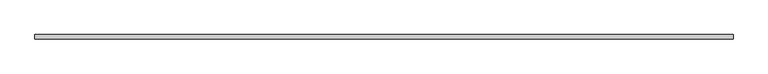
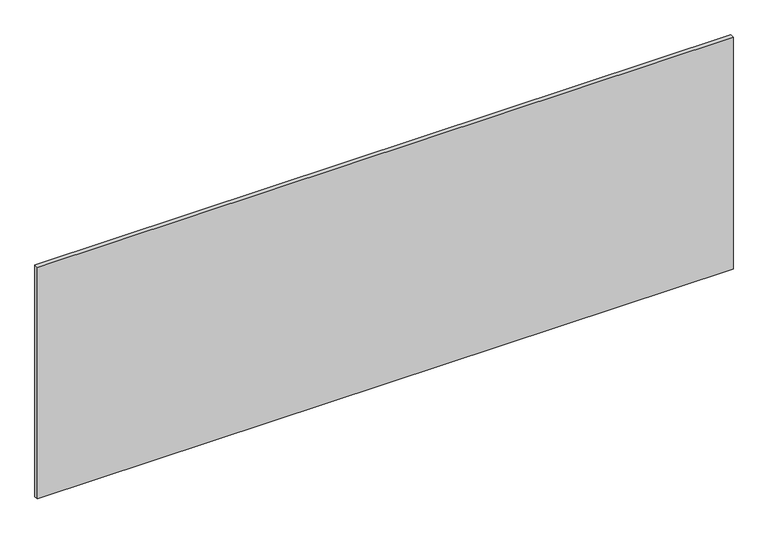
"""IFC4 building model written with IfcOpenShell, lengths in millimetres: plate geometry."""

import ifcopenshell
import ifcopenshell.guid

model = None  # the IFC model being written
_history = None  # IfcOwnerHistory: only IFC2X3 demands one
_inside = {}  # id of a spatial element -> (the spatial element, [elements in it])
_under = {}  # id of a project, library or spatial element -> (it, [spatial elements below it])
_declared = {}  # id of a project -> (the project, [libraries it declares])
_typed = {}  # id of a type object -> (the type object, [elements of that type])
_made_of = {}  # id of a material, layer set ... -> (it, [elements and type objects made of it])


def new_model(schema):
    """Start an empty IFC model of exactly this schema.

    Asked for "IFC4X3", IfcOpenShell would pick the latest addendum, in which some entities
    have other attributes; the version numbers below select the first issue.
    IFC2X3 requires an IfcOwnerHistory on every rooted entity: one is made here for all.
    """
    global model, _history
    if schema == "IFC4X3":
        model = ifcopenshell.file(schema_version=(4, 3, 0, 0))
    else:
        model = ifcopenshell.file(schema=schema)
    _inside.clear()
    _under.clear()
    _declared.clear()
    _typed.clear()
    _made_of.clear()
    _history = None
    if model.schema == "IFC2X3":
        org = make("IfcOrganization", Name="unknown")
        user = make(
            "IfcPersonAndOrganization",
            ThePerson=make("IfcPerson", FamilyName="unknown"),
            TheOrganization=org,
        )
        app = make(
            "IfcApplication",
            ApplicationDeveloper=org,
            Version="unknown",
            ApplicationFullName="unknown",
            ApplicationIdentifier="unknown",
        )
        _history = make(
            "IfcOwnerHistory",
            OwningUser=user,
            OwningApplication=app,
            ChangeAction="ADDED",
            CreationDate=0,
        )
    return model


def make(cls, **values):
    """One entity of the class cls with the attributes given. An attribute that is None is left unset."""
    return model.create_entity(
        cls, **{name: value for name, value in values.items() if value is not None}
    )


def rooted(cls, **values):
    """An entity with a GlobalId (a new one), such as an element, a storey or a relation."""
    return make(cls, GlobalId=ifcopenshell.guid.new(), OwnerHistory=_history, **values)


def si_unit(unit_type, name, prefix=None):
    """IfcSIUnit, for example si_unit("LENGTHUNIT", "METRE", prefix="MILLI")."""
    return make("IfcSIUnit", UnitType=unit_type, Prefix=prefix, Name=name)


def assignment(units):
    """IfcUnitAssignment: the units of a project."""
    return None if units is None else make("IfcUnitAssignment", Units=units)


def point(xyz):
    """IfcCartesianPoint."""
    return None if xyz is None else make("IfcCartesianPoint", Coordinates=xyz)


def direction(xyz):
    """IfcDirection."""
    return None if xyz is None else make("IfcDirection", DirectionRatios=xyz)


def frame(location, z_axis=None, x_axis=None):
    """IfcAxis2Placement3D, a coordinate frame: its origin and axes. An axis left out is left unset."""
    return make(
        "IfcAxis2Placement3D",
        Location=point(location),
        Axis=direction(z_axis),
        RefDirection=direction(x_axis),
    )


def origin():
    """The frame at (0, 0, 0) with its axes left unset."""
    return frame((0.0, 0.0, 0.0))


def origin_with_axes():
    """The frame at (0, 0, 0) with the z axis (0, 0, 1) and the x axis (1, 0, 0) written out."""
    return frame((0.0, 0.0, 0.0), z_axis=(0.0, 0.0, 1.0), x_axis=(1.0, 0.0, 0.0))


def place(relative_to, where):
    """IfcLocalPlacement: puts the frame where relative to a parent placement (None: the world)."""
    return make(
        "IfcLocalPlacement", PlacementRelTo=relative_to, RelativePlacement=where
    )


def context(
    kind, dimensions, precision=None, world=None, true_north=None, identifier=None
):
    """IfcGeometricRepresentationContext, for example the 3D "Model" context."""
    return make(
        "IfcGeometricRepresentationContext",
        ContextIdentifier=identifier,
        ContextType=kind,
        CoordinateSpaceDimension=dimensions,
        Precision=precision,
        WorldCoordinateSystem=world,
        TrueNorth=true_north,
    )


def project(units=None, contexts=None):
    """IfcProject with its units and contexts."""
    return rooted(
        "IfcProject",
        Name="project",
        RepresentationContexts=contexts,
        UnitsInContext=assignment(units),
    )


def spatial(cls, under=None, at=None, **own):
    """A site, building, storey or space (cls), placed at a placement, below another one or the project."""
    s = rooted(cls, ObjectPlacement=at, **own)
    if under is not None:
        _under.setdefault(under.id(), (under, []))[1].append(s)
    return s


def polyline(points):
    """IfcPolyline through the points."""
    return make("IfcPolyline", Points=[point(p) for p in points])


def outline(outer, holes=None, kind="AREA"):
    """IfcArbitraryClosedProfileDef: a profile drawn as a closed curve; with holes, ...WithVoids."""
    if holes is None:
        return make("IfcArbitraryClosedProfileDef", ProfileType=kind, OuterCurve=outer)
    return make(
        "IfcArbitraryProfileDefWithVoids",
        ProfileType=kind,
        OuterCurve=outer,
        InnerCurves=holes,
    )


def extrude(swept, where, along, depth):
    """IfcExtrudedAreaSolid: the profile swept, set in the frame where, extruded along a direction by depth."""
    return make(
        "IfcExtrudedAreaSolid",
        SweptArea=swept,
        Position=where,
        ExtrudedDirection=direction(along),
        Depth=depth,
    )


def shape(context_of_items, identifier, shape_type, items):
    """IfcShapeRepresentation: the items that make up one representation, for example the "Body"."""
    return make(
        "IfcShapeRepresentation",
        ContextOfItems=context_of_items,
        RepresentationIdentifier=identifier,
        RepresentationType=shape_type,
        Items=items,
    )


def source(mapping_origin, context_of_items, identifier, shape_type, items):
    """IfcRepresentationMap: a shape defined once, which mapped items show again and again."""
    return make(
        "IfcRepresentationMap",
        MappingOrigin=mapping_origin,
        MappedRepresentation=shape(context_of_items, identifier, shape_type, items),
    )


def transform(
    local_origin,
    x_axis=None,
    y_axis=None,
    z_axis=None,
    scale=None,
    scale2=None,
    scale3=None,
    uniform=True,
):
    """IfcCartesianTransformationOperator3D, or its non-uniform kind. x_axis, y_axis, z_axis: its Axis1, 2, 3."""
    if uniform:
        return make(
            "IfcCartesianTransformationOperator3D",
            Axis1=direction(x_axis),
            Axis2=direction(y_axis),
            LocalOrigin=point(local_origin),
            Scale=scale,
            Axis3=direction(z_axis),
        )
    return make(
        "IfcCartesianTransformationOperator3DnonUniform",
        Axis1=direction(x_axis),
        Axis2=direction(y_axis),
        LocalOrigin=point(local_origin),
        Scale=scale,
        Axis3=direction(z_axis),
        Scale2=scale2,
        Scale3=scale3,
    )


def mapped(mapping_source, mapping_target):
    """IfcMappedItem: shows the shape of a source again, moved by a transform."""
    return make(
        "IfcMappedItem", MappingSource=mapping_source, MappingTarget=mapping_target
    )


def made_of(thing, what):
    """Note that an element or type object is made of a material, layer set ...; save() writes the relation."""
    if what is not None:
        _made_of.setdefault(what.id(), (what, []))[1].append(thing)
    return thing


def element(
    cls,
    number,
    at=None,
    inside=None,
    cuts=None,
    type_object=None,
    material=None,
    context=None,
    identifier="Body",
    shape_type=None,
    held_by="IfcProductDefinitionShape",
    body=None,
    shapes=None,
    **own,
):
    """One element of the class cls, such as IfcWall. Its Tag is "e" and its number.

    at: its placement. inside: the storey or other place that contains it. cuts: it is an
    opening in that element (IfcRelVoidsElement). A single representation is given by context,
    identifier, shape_type and body (its items); several are given by shapes. held_by: the class
    of the entity that holds the representations. save() writes the other relations.
    """
    e = rooted(cls, Tag="e%d" % number, ObjectPlacement=at, **own)
    if body is not None:
        shapes = [shape(context, identifier, shape_type, body)]
    if shapes is not None:
        e.Representation = make(held_by, Representations=shapes)
    if inside is not None:
        _inside.setdefault(inside.id(), (inside, []))[1].append(e)
    if cuts is not None:
        rooted(
            "IfcRelVoidsElement", RelatingBuildingElement=cuts, RelatedOpeningElement=e
        )
    if type_object is not None:
        _typed.setdefault(type_object.id(), (type_object, []))[1].append(e)
    return made_of(e, material)


def aggregate(whole, parts):
    """IfcRelAggregates: a whole, such as a stair, and the parts it consists of."""
    return rooted("IfcRelAggregates", RelatingObject=whole, RelatedObjects=parts)


def save(model, path):
    """Write the relations noted so far, then the file.

    IfcRelAggregates (storeys below a building ...), IfcRelContainedInSpatialStructure (elements
    in a storey), IfcRelDefinesByType, IfcRelAssociatesMaterial and IfcRelDeclares: one each for
    every whole, place, type object, material and project.
    """
    for whole, parts in _under.values():
        aggregate(whole, parts)
    for where, things in _inside.values():
        rooted(
            "IfcRelContainedInSpatialStructure",
            RelatedElements=things,
            RelatingStructure=where,
        )
    for kind, things in _typed.values():
        rooted("IfcRelDefinesByType", RelatedObjects=things, RelatingType=kind)
    for what, things in _made_of.values():
        rooted("IfcRelAssociatesMaterial", RelatedObjects=things, RelatingMaterial=what)
    for by, libraries in _declared.values():
        rooted("IfcRelDeclares", RelatingContext=by, RelatedDefinitions=libraries)
    model.write(path)


def plate_ed5f4201(model_context):
    return source(origin(), model_context, "Body", "SweptSolid", [
        extrude(outline(polyline([(1420.0, -23.25), (1420.0, -40.75), (-1420.0, -40.75), (-1420.0, -23.25), (1420.0, -23.25)])), origin_with_axes(), (0.0, 0.0, 1.0), 1000.0),
    ])


if __name__ == "__main__":
    model = new_model("IFC4")
    model_context = context("Model", 3, world=origin())
    ifc_project = project(units=[si_unit("LENGTHUNIT", "METRE", prefix="MILLI")], contexts=[model_context])
    site = spatial("IfcSite", under=ifc_project)
    building = spatial("IfcBuilding", under=site)
    placement = place(None, origin())
    plate_shape = plate_ed5f4201(model_context)
    element("IfcPlate", 1, at=placement, inside=building, context=model_context, shape_type="MappedRepresentation", body=[
        mapped(plate_shape, transform((0.0, 0.0, 0.0), x_axis=(1.0, 0.0, 0.0), y_axis=(0.0, 1.0, 0.0), z_axis=(0.0, 0.0, 1.0))),
    ])
    save(model, "model.ifc")
